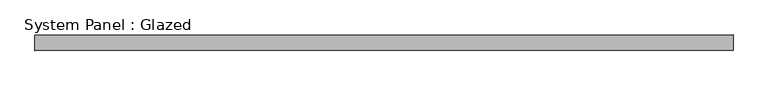
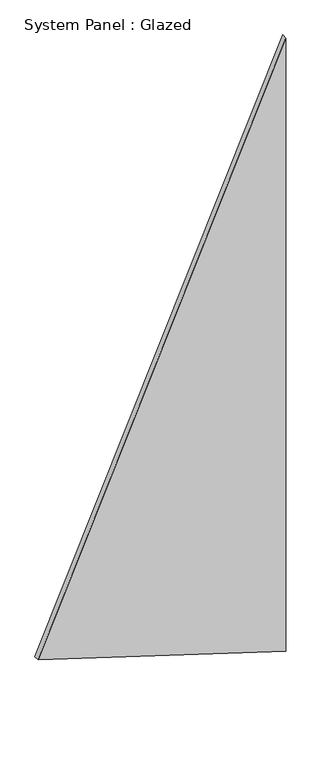
"""IFC4 building model written with IfcOpenShell, lengths in millimetres: plate geometry, System Panel : Glazed."""

import ifcopenshell
import ifcopenshell.guid

model = None  # the IFC model being written
_history = None  # IfcOwnerHistory: only IFC2X3 demands one
_inside = {}  # id of a spatial element -> (the spatial element, [elements in it])
_under = {}  # id of a project, library or spatial element -> (it, [spatial elements below it])
_declared = {}  # id of a project -> (the project, [libraries it declares])
_typed = {}  # id of a type object -> (the type object, [elements of that type])
_made_of = {}  # id of a material, layer set ... -> (it, [elements and type objects made of it])


def new_model(schema):
    """Start an empty IFC model of exactly this schema.

    Asked for "IFC4X3", IfcOpenShell would pick the latest addendum, in which some entities
    have other attributes; the version numbers below select the first issue.
    IFC2X3 requires an IfcOwnerHistory on every rooted entity: one is made here for all.
    """
    global model, _history
    if schema == "IFC4X3":
        model = ifcopenshell.file(schema_version=(4, 3, 0, 0))
    else:
        model = ifcopenshell.file(schema=schema)
    _inside.clear()
    _under.clear()
    _declared.clear()
    _typed.clear()
    _made_of.clear()
    _history = None
    if model.schema == "IFC2X3":
        org = make("IfcOrganization", Name="unknown")
        user = make(
            "IfcPersonAndOrganization",
            ThePerson=make("IfcPerson", FamilyName="unknown"),
            TheOrganization=org,
        )
        app = make(
            "IfcApplication",
            ApplicationDeveloper=org,
            Version="unknown",
            ApplicationFullName="unknown",
            ApplicationIdentifier="unknown",
        )
        _history = make(
            "IfcOwnerHistory",
            OwningUser=user,
            OwningApplication=app,
            ChangeAction="ADDED",
            CreationDate=0,
        )
    return model


def make(cls, **values):
    """One entity of the class cls with the attributes given. An attribute that is None is left unset."""
    return model.create_entity(
        cls, **{name: value for name, value in values.items() if value is not None}
    )


def rooted(cls, **values):
    """An entity with a GlobalId (a new one), such as an element, a storey or a relation."""
    return make(cls, GlobalId=ifcopenshell.guid.new(), OwnerHistory=_history, **values)


def si_unit(unit_type, name, prefix=None):
    """IfcSIUnit, for example si_unit("LENGTHUNIT", "METRE", prefix="MILLI")."""
    return make("IfcSIUnit", UnitType=unit_type, Prefix=prefix, Name=name)


def assignment(units):
    """IfcUnitAssignment: the units of a project."""
    return None if units is None else make("IfcUnitAssignment", Units=units)


def point(xyz):
    """IfcCartesianPoint."""
    return None if xyz is None else make("IfcCartesianPoint", Coordinates=xyz)


def direction(xyz):
    """IfcDirection."""
    return None if xyz is None else make("IfcDirection", DirectionRatios=xyz)


def frame(location, z_axis=None, x_axis=None):
    """IfcAxis2Placement3D, a coordinate frame: its origin and axes. An axis left out is left unset."""
    return make(
        "IfcAxis2Placement3D",
        Location=point(location),
        Axis=direction(z_axis),
        RefDirection=direction(x_axis),
    )


def origin():
    """The frame at (0, 0, 0) with its axes left unset."""
    return frame((0.0, 0.0, 0.0))


def place(relative_to, where):
    """IfcLocalPlacement: puts the frame where relative to a parent placement (None: the world)."""
    return make(
        "IfcLocalPlacement", PlacementRelTo=relative_to, RelativePlacement=where
    )


def context(
    kind, dimensions, precision=None, world=None, true_north=None, identifier=None
):
    """IfcGeometricRepresentationContext, for example the 3D "Model" context."""
    return make(
        "IfcGeometricRepresentationContext",
        ContextIdentifier=identifier,
        ContextType=kind,
        CoordinateSpaceDimension=dimensions,
        Precision=precision,
        WorldCoordinateSystem=world,
        TrueNorth=true_north,
    )


def project(units=None, contexts=None):
    """IfcProject with its units and contexts."""
    return rooted(
        "IfcProject",
        Name="project",
        RepresentationContexts=contexts,
        UnitsInContext=assignment(units),
    )


def spatial(cls, under=None, at=None, **own):
    """A site, building, storey or space (cls), placed at a placement, below another one or the project."""
    s = rooted(cls, ObjectPlacement=at, **own)
    if under is not None:
        _under.setdefault(under.id(), (under, []))[1].append(s)
    return s


def polyline(points):
    """IfcPolyline through the points."""
    return make("IfcPolyline", Points=[point(p) for p in points])


def outline(outer, holes=None, kind="AREA"):
    """IfcArbitraryClosedProfileDef: a profile drawn as a closed curve; with holes, ...WithVoids."""
    if holes is None:
        return make("IfcArbitraryClosedProfileDef", ProfileType=kind, OuterCurve=outer)
    return make(
        "IfcArbitraryProfileDefWithVoids",
        ProfileType=kind,
        OuterCurve=outer,
        InnerCurves=holes,
    )


def extrude(swept, where, along, depth):
    """IfcExtrudedAreaSolid: the profile swept, set in the frame where, extruded along a direction by depth."""
    return make(
        "IfcExtrudedAreaSolid",
        SweptArea=swept,
        Position=where,
        ExtrudedDirection=direction(along),
        Depth=depth,
    )


def shape(context_of_items, identifier, shape_type, items):
    """IfcShapeRepresentation: the items that make up one representation, for example the "Body"."""
    return make(
        "IfcShapeRepresentation",
        ContextOfItems=context_of_items,
        RepresentationIdentifier=identifier,
        RepresentationType=shape_type,
        Items=items,
    )


def source(mapping_origin, context_of_items, identifier, shape_type, items):
    """IfcRepresentationMap: a shape defined once, which mapped items show again and again."""
    return make(
        "IfcRepresentationMap",
        MappingOrigin=mapping_origin,
        MappedRepresentation=shape(context_of_items, identifier, shape_type, items),
    )


def transform(
    local_origin,
    x_axis=None,
    y_axis=None,
    z_axis=None,
    scale=None,
    scale2=None,
    scale3=None,
    uniform=True,
):
    """IfcCartesianTransformationOperator3D, or its non-uniform kind. x_axis, y_axis, z_axis: its Axis1, 2, 3."""
    if uniform:
        return make(
            "IfcCartesianTransformationOperator3D",
            Axis1=direction(x_axis),
            Axis2=direction(y_axis),
            LocalOrigin=point(local_origin),
            Scale=scale,
            Axis3=direction(z_axis),
        )
    return make(
        "IfcCartesianTransformationOperator3DnonUniform",
        Axis1=direction(x_axis),
        Axis2=direction(y_axis),
        LocalOrigin=point(local_origin),
        Scale=scale,
        Axis3=direction(z_axis),
        Scale2=scale2,
        Scale3=scale3,
    )


def mapped(mapping_source, mapping_target):
    """IfcMappedItem: shows the shape of a source again, moved by a transform."""
    return make(
        "IfcMappedItem", MappingSource=mapping_source, MappingTarget=mapping_target
    )


def made_of(thing, what):
    """Note that an element or type object is made of a material, layer set ...; save() writes the relation."""
    if what is not None:
        _made_of.setdefault(what.id(), (what, []))[1].append(thing)
    return thing


def element(
    cls,
    number,
    at=None,
    inside=None,
    cuts=None,
    type_object=None,
    material=None,
    context=None,
    identifier="Body",
    shape_type=None,
    held_by="IfcProductDefinitionShape",
    body=None,
    shapes=None,
    **own,
):
    """One element of the class cls, such as IfcWall. Its Tag is "e" and its number.

    at: its placement. inside: the storey or other place that contains it. cuts: it is an
    opening in that element (IfcRelVoidsElement). A single representation is given by context,
    identifier, shape_type and body (its items); several are given by shapes. held_by: the class
    of the entity that holds the representations. save() writes the other relations.
    """
    e = rooted(cls, Tag="e%d" % number, ObjectPlacement=at, **own)
    if body is not None:
        shapes = [shape(context, identifier, shape_type, body)]
    if shapes is not None:
        e.Representation = make(held_by, Representations=shapes)
    if inside is not None:
        _inside.setdefault(inside.id(), (inside, []))[1].append(e)
    if cuts is not None:
        rooted(
            "IfcRelVoidsElement", RelatingBuildingElement=cuts, RelatedOpeningElement=e
        )
    if type_object is not None:
        _typed.setdefault(type_object.id(), (type_object, []))[1].append(e)
    return made_of(e, material)


def aggregate(whole, parts):
    """IfcRelAggregates: a whole, such as a stair, and the parts it consists of."""
    return rooted("IfcRelAggregates", RelatingObject=whole, RelatedObjects=parts)


def save(model, path):
    """Write the relations noted so far, then the file.

    IfcRelAggregates (storeys below a building ...), IfcRelContainedInSpatialStructure (elements
    in a storey), IfcRelDefinesByType, IfcRelAssociatesMaterial and IfcRelDeclares: one each for
    every whole, place, type object, material and project.
    """
    for whole, parts in _under.values():
        aggregate(whole, parts)
    for where, things in _inside.values():
        rooted(
            "IfcRelContainedInSpatialStructure",
            RelatedElements=things,
            RelatingStructure=where,
        )
    for kind, things in _typed.values():
        rooted("IfcRelDefinesByType", RelatedObjects=things, RelatingType=kind)
    for what, things in _made_of.values():
        rooted("IfcRelAssociatesMaterial", RelatedObjects=things, RelatingMaterial=what)
    for by, libraries in _declared.values():
        rooted("IfcRelDeclares", RelatingContext=by, RelatedDefinitions=libraries)
    model.write(path)


def system_panel_glazed_bb19d528(model_context):
    return source(origin(), model_context, "Body", "SweptSolid", [
        extrude(outline(polyline([(510.4523642, -816.9770336), (0.0, 816.9770336), (4275.6883177, 816.9770336), (510.4523642, -816.9770336)])), frame((0.0, -18.0, 0.0), z_axis=(0.0, 1.0, 0.0), x_axis=(0.0, 0.0, 1.0)), (0.0, 0.0, 1.0), 36.0),
    ])


if __name__ == "__main__":
    model = new_model("IFC4")
    model_context = context("Model", 3, world=origin())
    ifc_project = project(units=[si_unit("LENGTHUNIT", "METRE", prefix="MILLI")], contexts=[model_context])
    site = spatial("IfcSite", under=ifc_project)
    building = spatial("IfcBuilding", under=site)
    placement = place(None, origin())
    system_panel_glazed_shape = system_panel_glazed_bb19d528(model_context)
    element("IfcPlate", 1, ObjectType="System Panel : Glazed", at=placement, inside=building, context=model_context, shape_type="MappedRepresentation", body=[
        mapped(system_panel_glazed_shape, transform((0.0, 0.0, 0.0), x_axis=(1.0, 0.0, 0.0), y_axis=(0.0, 1.0, 0.0), z_axis=(0.0, 0.0, 1.0))),
    ])
    save(model, "model.ifc")
